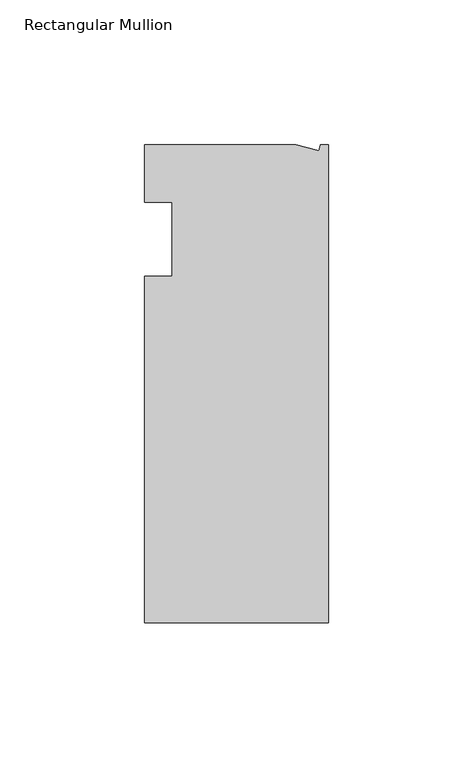
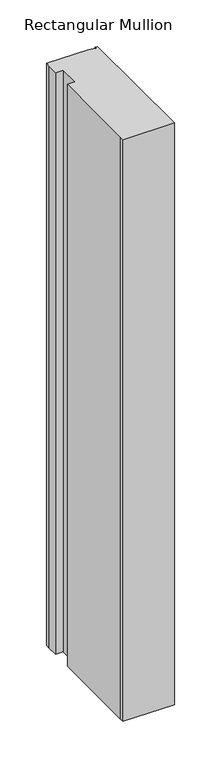
"""IFC4 building model written with IfcOpenShell, lengths in millimetres: member geometry, Rectangular Mullion."""

from ifc_helpers import new_model, si_unit, origin, place, context, project, spatial, faceted_brep, source, transform, mapped, element, save


def rectangular_mullion_e35d92ea(model_context):
    return source(origin(), model_context, "Body", "Brep", [
        faceted_brep([(0.0, -132.5561012, 0.0), (0.0, 32.5438988, 0.0), (-2.7630634, 32.5438988, 0.0), (-3.3223696, 30.4565397, 0.0), (-11.1125, 32.5438988, 0.0), (-63.5076469, 32.5438988, 0.0), (-63.5076469, 26.1938988, 0.0), (-63.5, 12.7, 0.0), (-53.975, 12.7, 0.0), (-53.975, -12.8488281, 0.0), (-63.5, -12.8488281, 0.0), (-63.5, -126.2061012, 0.0), (-63.5, -132.5561012, 0.0), (0.0, -132.5561012, -762.9514763), (-63.5, -132.5561012, -762.9514763), (-63.5, -126.2061012, -762.9514763), (-63.5, -12.8488281, -762.9514763), (-53.975, -12.8488281, -762.9514763), (-53.975, 12.7, -762.9514763), (-63.5, 12.7, -762.9514763), (-63.5, 26.1938988, -762.9514763), (-63.5076469, 32.5438988, -762.9514763), (-11.1125, 32.5438988, -762.9514763), (-3.3223696, 30.4565397, -762.9514763), (-2.7630634, 32.5438988, -762.9514763), (0.0, 32.5438988, -762.9514763)], [[[0, 1, 2, 3, 4, 5, 6, 7, 8, 9, 10, 11, 12]], [[13, 14, 15, 16, 17, 18, 19, 20, 21, 22, 23, 24, 25]], [[7, 6, 20, 19]], [[8, 7, 19, 18]], [[9, 8, 18, 17]], [[10, 9, 17, 16]], [[11, 10, 16, 15]], [[0, 12, 14, 13]], [[1, 0, 13, 25]], [[2, 1, 25, 24]], [[3, 2, 24, 23]], [[4, 3, 23, 22]], [[5, 4, 22, 21]], [[6, 5, 21, 20]], [[12, 11, 15, 14]]]),
    ])


if __name__ == "__main__":
    model = new_model("IFC4")
    model_context = context("Model", 3, world=origin())
    ifc_project = project(units=[si_unit("LENGTHUNIT", "METRE", prefix="MILLI")], contexts=[model_context])
    site = spatial("IfcSite", under=ifc_project)
    building = spatial("IfcBuilding", under=site)
    placement = place(None, origin())
    rectangular_mullion_shape = rectangular_mullion_e35d92ea(model_context)
    element("IfcMember", 1, ObjectType="Rectangular Mullion", at=placement, inside=building, context=model_context, shape_type="MappedRepresentation", body=[
        mapped(rectangular_mullion_shape, transform((0.0, 0.0, 0.0), x_axis=(1.0, 0.0, 0.0), y_axis=(0.0, 1.0, 0.0), z_axis=(0.0, 0.0, 1.0))),
    ])
    save(model, "model.ifc")
